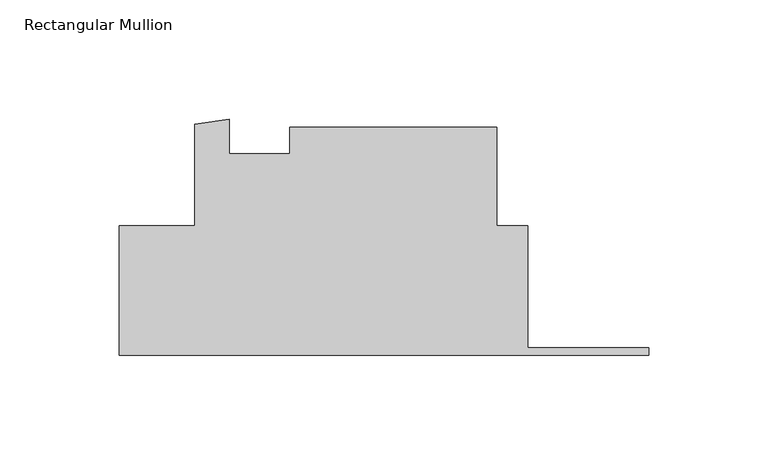
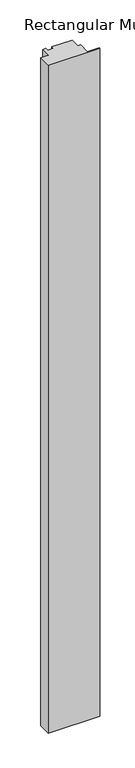
"""IFC4 building model written with IfcOpenShell, lengths in millimetres: member geometry, Rectangular Mullion."""

from ifc_helpers import new_model, si_unit, frame, origin, place, context, project, spatial, polyline, outline, extrude, source, transform, mapped, element, save


def rectangular_mullion_d9c9644e(model_context):
    return source(origin(), model_context, "Body", "SweptSolid", [
        extrude(outline(polyline([(-222.2817499, 3.6532339), (-190.5327809, 3.6532339), (-190.5327809, 46.2686162), (-175.997234, 48.3287724), (-175.997234, 33.8157339), (-150.6292559, 33.8157339), (-150.6292559, 44.9282339), (-63.7867809, 44.9282339), (-63.7867809, 3.6854999), (-50.83175, 3.6854999), (-50.83175, -47.5277658), (0.0, -47.5277658), (0.0, -50.7027658), (-222.2817499, -50.7027658), (-222.2817499, 3.6532339)])), frame((0.0, 0.0, -3048.0), z_axis=(0.0, 0.0, 1.0), x_axis=(1.0, 0.0, 0.0)), (0.0, 0.0, 1.0), 3048.0),
    ])


if __name__ == "__main__":
    model = new_model("IFC4")
    model_context = context("Model", 3, world=origin())
    ifc_project = project(units=[si_unit("LENGTHUNIT", "METRE", prefix="MILLI")], contexts=[model_context])
    site = spatial("IfcSite", under=ifc_project)
    building = spatial("IfcBuilding", under=site)
    placement = place(None, origin())
    rectangular_mullion_shape = rectangular_mullion_d9c9644e(model_context)
    element("IfcMember", 1, ObjectType="Rectangular Mullion", at=placement, inside=building, context=model_context, shape_type="MappedRepresentation", body=[
        mapped(rectangular_mullion_shape, transform((0.0, 0.0, 0.0), x_axis=(1.0, 0.0, 0.0), y_axis=(0.0, 1.0, 0.0), z_axis=(0.0, 0.0, 1.0))),
    ])
    save(model, "model.ifc")
